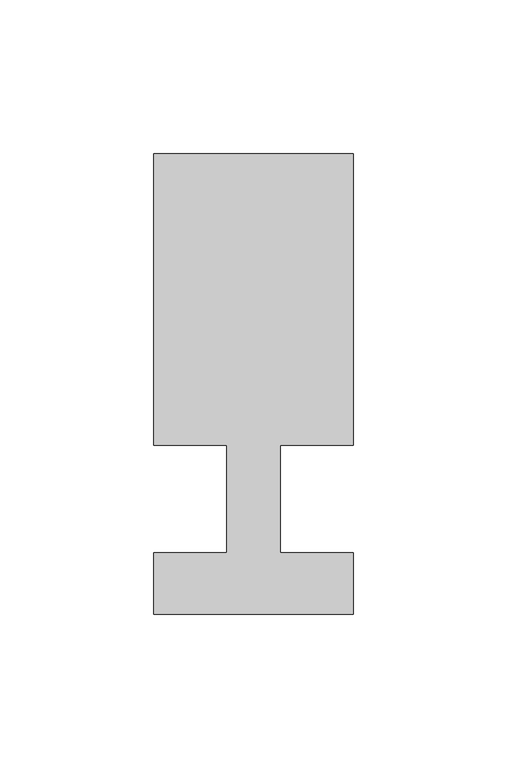
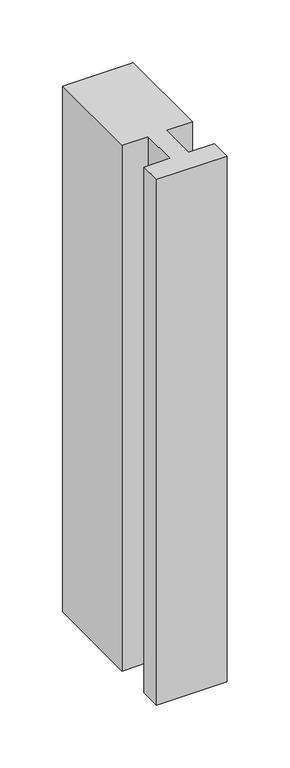
"""IFC4 building model written with IfcOpenShell, lengths in millimetres: member geometry."""

from ifc_helpers import new_model, si_unit, frame, origin, place, context, project, spatial, polyline, outline, extrude, source, transform, mapped, element, save


def member_3f142a4c(model_context):
    return source(origin(), model_context, "Body", "SweptSolid", [
        extrude(outline(polyline([(-32.5, -37.0), (-32.5, -17.0), (-8.6875, -17.0), (-8.6875, 18.0), (-32.5, 18.0), (-32.5, 113.0), (32.5, 113.0), (32.5, 18.0), (8.6875, 18.0), (8.6875, -17.0), (32.5, -17.0), (32.5, -37.0), (-32.5, -37.0)])), frame((0.0, 0.0, -511.90625), z_axis=(0.0, 0.0, 1.0), x_axis=(1.0, 0.0, 0.0)), (0.0, 0.0, 1.0), 511.90625),
    ])


if __name__ == "__main__":
    model = new_model("IFC4")
    model_context = context("Model", 3, world=origin())
    ifc_project = project(units=[si_unit("LENGTHUNIT", "METRE", prefix="MILLI")], contexts=[model_context])
    site = spatial("IfcSite", under=ifc_project)
    building = spatial("IfcBuilding", under=site)
    placement = place(None, origin())
    member_shape = member_3f142a4c(model_context)
    element("IfcMember", 1, at=placement, inside=building, context=model_context, shape_type="MappedRepresentation", body=[
        mapped(member_shape, transform((0.0, 0.0, 0.0), x_axis=(1.0, 0.0, 0.0), y_axis=(0.0, 1.0, 0.0), z_axis=(0.0, 0.0, 1.0))),
    ])
    save(model, "model.ifc")
